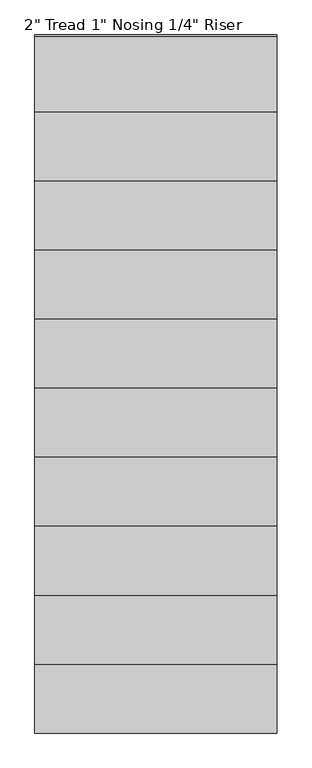
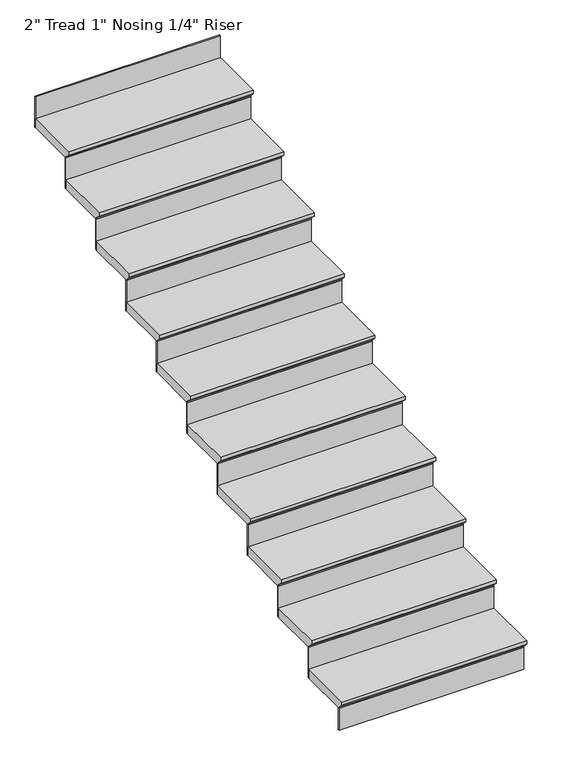
"""IFC4 building model written with IfcOpenShell, lengths in millimetres: stair flight geometry."""

from ifc_helpers import new_model, si_unit, origin, place, context, project, spatial, faceted_brep, source, transform, mapped, element, save


def stair_flight_2e2634de(model_context):
    return source(origin(), model_context, "Body", "Brep", [
        faceted_brep([(-19107.5828216, 2625.4460566, 36292.9714286), (-18126.0930445, 2625.4460566, 36292.9714286), (-18126.0930445, 2930.2460566, 36292.9714286), (-19107.5828216, 2930.2460566, 36292.9714286), (-19107.5828216, 2650.8460566, 36242.1714286), (-19107.5828216, 2930.2460566, 36242.1714286), (-18126.0930445, 2930.2460566, 36242.1714286), (-18126.0930445, 2650.8460566, 36242.1714286), (-19107.5828216, 2650.8460566, 36248.5214286), (-19107.5828216, 2625.4460566, 36273.9214286), (-18126.0930445, 2650.8460566, 36248.5214286), (-18126.0930445, 2625.4460566, 36273.9214286)], [[[0, 1, 2, 3]], [[4, 5, 6, 7]], [[0, 3, 5, 4, 8, 9]], [[4, 7, 10, 8]], [[2, 1, 11, 10, 7, 6]], [[3, 2, 6, 5]], [[11, 1, 0, 9]], [[10, 11, 9, 8]]]),
        faceted_brep([(-18126.0930445, 2650.8460566, 36242.1714286), (-18126.0930445, 2650.8460566, 36118.8), (-18126.0930445, 2657.1960566, 36118.8), (-18126.0930445, 2657.1960566, 36242.1714286), (-19107.5828216, 2650.8460566, 36242.1714286), (-19107.5828216, 2657.1960566, 36242.1714286), (-19107.5828216, 2657.1960566, 36118.8), (-19107.5828216, 2650.8460566, 36118.8)], [[[0, 1, 2, 3]], [[4, 5, 6, 7]], [[1, 0, 4, 7]], [[2, 1, 7, 6]], [[3, 2, 6, 5]], [[0, 3, 5, 4]]]),
        faceted_brep([(-19107.5828216, 2904.8460566, 36467.1428571), (-18126.0930445, 2904.8460566, 36467.1428571), (-18126.0930445, 3209.6460566, 36467.1428571), (-19107.5828216, 3209.6460566, 36467.1428571), (-19107.5828216, 2930.2460566, 36416.3428571), (-19107.5828216, 3209.6460566, 36416.3428571), (-18126.0930445, 3209.6460566, 36416.3428571), (-18126.0930445, 2930.2460566, 36416.3428571), (-19107.5828216, 2930.2460566, 36422.6928571), (-19107.5828216, 2904.8460566, 36448.0928571), (-18126.0930445, 2930.2460566, 36422.6928571), (-18126.0930445, 2904.8460566, 36448.0928571)], [[[0, 1, 2, 3]], [[4, 5, 6, 7]], [[0, 3, 5, 4, 8, 9]], [[4, 7, 10, 8]], [[2, 1, 11, 10, 7, 6]], [[3, 2, 6, 5]], [[11, 1, 0, 9]], [[10, 11, 9, 8]]]),
        faceted_brep([(-18126.0930445, 2930.2460566, 36416.3428571), (-18126.0930445, 2930.2460566, 36242.1714286), (-18126.0930445, 2936.5960566, 36242.1714286), (-18126.0930445, 2936.5960566, 36416.3428571), (-19107.5828216, 2930.2460566, 36416.3428571), (-19107.5828216, 2936.5960566, 36416.3428571), (-19107.5828216, 2936.5960566, 36242.1714286), (-19107.5828216, 2930.2460566, 36242.1714286)], [[[0, 1, 2, 3]], [[4, 5, 6, 7]], [[1, 0, 4, 7]], [[2, 1, 7, 6]], [[3, 2, 6, 5]], [[0, 3, 5, 4]]]),
        faceted_brep([(-19107.5828216, 3184.2460566, 36641.3142857), (-18126.0930445, 3184.2460566, 36641.3142857), (-18126.0930445, 3489.0460566, 36641.3142857), (-19107.5828216, 3489.0460566, 36641.3142857), (-19107.5828216, 3209.6460566, 36590.5142857), (-19107.5828216, 3489.0460566, 36590.5142857), (-18126.0930445, 3489.0460566, 36590.5142857), (-18126.0930445, 3209.6460566, 36590.5142857), (-19107.5828216, 3209.6460566, 36596.8642857), (-19107.5828216, 3184.2460566, 36622.2642857), (-18126.0930445, 3209.6460566, 36596.8642857), (-18126.0930445, 3184.2460566, 36622.2642857)], [[[0, 1, 2, 3]], [[4, 5, 6, 7]], [[0, 3, 5, 4, 8, 9]], [[4, 7, 10, 8]], [[2, 1, 11, 10, 7, 6]], [[3, 2, 6, 5]], [[11, 1, 0, 9]], [[10, 11, 9, 8]]]),
        faceted_brep([(-18126.0930445, 3209.6460566, 36590.5142857), (-18126.0930445, 3209.6460566, 36416.3428571), (-18126.0930445, 3215.9960566, 36416.3428571), (-18126.0930445, 3215.9960566, 36590.5142857), (-19107.5828216, 3209.6460566, 36590.5142857), (-19107.5828216, 3215.9960566, 36590.5142857), (-19107.5828216, 3215.9960566, 36416.3428571), (-19107.5828216, 3209.6460566, 36416.3428571)], [[[0, 1, 2, 3]], [[4, 5, 6, 7]], [[1, 0, 4, 7]], [[2, 1, 7, 6]], [[3, 2, 6, 5]], [[0, 3, 5, 4]]]),
        faceted_brep([(-19107.5828216, 3463.6460566, 36815.4857143), (-18126.0930445, 3463.6460566, 36815.4857143), (-18126.0930445, 3768.4460566, 36815.4857143), (-19107.5828216, 3768.4460566, 36815.4857143), (-19107.5828216, 3489.0460566, 36764.6857143), (-19107.5828216, 3768.4460566, 36764.6857143), (-18126.0930445, 3768.4460566, 36764.6857143), (-18126.0930445, 3489.0460566, 36764.6857143), (-19107.5828216, 3489.0460566, 36771.0357143), (-19107.5828216, 3463.6460566, 36796.4357143), (-18126.0930445, 3489.0460566, 36771.0357143), (-18126.0930445, 3463.6460566, 36796.4357143)], [[[0, 1, 2, 3]], [[4, 5, 6, 7]], [[0, 3, 5, 4, 8, 9]], [[4, 7, 10, 8]], [[2, 1, 11, 10, 7, 6]], [[3, 2, 6, 5]], [[11, 1, 0, 9]], [[10, 11, 9, 8]]]),
        faceted_brep([(-18126.0930445, 3489.0460566, 36764.6857143), (-18126.0930445, 3489.0460566, 36590.5142857), (-18126.0930445, 3495.3960566, 36590.5142857), (-18126.0930445, 3495.3960566, 36764.6857143), (-19107.5828216, 3489.0460566, 36764.6857143), (-19107.5828216, 3495.3960566, 36764.6857143), (-19107.5828216, 3495.3960566, 36590.5142857), (-19107.5828216, 3489.0460566, 36590.5142857)], [[[0, 1, 2, 3]], [[4, 5, 6, 7]], [[1, 0, 4, 7]], [[2, 1, 7, 6]], [[3, 2, 6, 5]], [[0, 3, 5, 4]]]),
        faceted_brep([(-19107.5828216, 3743.0460566, 36989.6571429), (-18126.0930445, 3743.0460566, 36989.6571429), (-18126.0930445, 4047.8460566, 36989.6571429), (-19107.5828216, 4047.8460566, 36989.6571429), (-19107.5828216, 3768.4460566, 36938.8571429), (-19107.5828216, 4047.8460566, 36938.8571429), (-18126.0930445, 4047.8460566, 36938.8571429), (-18126.0930445, 3768.4460566, 36938.8571429), (-19107.5828216, 3768.4460566, 36945.2071429), (-19107.5828216, 3743.0460566, 36970.6071429), (-18126.0930445, 3768.4460566, 36945.2071429), (-18126.0930445, 3743.0460566, 36970.6071429)], [[[0, 1, 2, 3]], [[4, 5, 6, 7]], [[0, 3, 5, 4, 8, 9]], [[4, 7, 10, 8]], [[2, 1, 11, 10, 7, 6]], [[3, 2, 6, 5]], [[11, 1, 0, 9]], [[10, 11, 9, 8]]]),
        faceted_brep([(-18126.0930445, 3768.4460566, 36938.8571429), (-18126.0930445, 3768.4460566, 36764.6857143), (-18126.0930445, 3774.7960566, 36764.6857143), (-18126.0930445, 3774.7960566, 36938.8571429), (-19107.5828216, 3768.4460566, 36938.8571429), (-19107.5828216, 3774.7960566, 36938.8571429), (-19107.5828216, 3774.7960566, 36764.6857143), (-19107.5828216, 3768.4460566, 36764.6857143)], [[[0, 1, 2, 3]], [[4, 5, 6, 7]], [[1, 0, 4, 7]], [[2, 1, 7, 6]], [[3, 2, 6, 5]], [[0, 3, 5, 4]]]),
        faceted_brep([(-19107.5828216, 4022.4460566, 37163.8285714), (-18126.0930445, 4022.4460566, 37163.8285714), (-18126.0930445, 4327.2460566, 37163.8285714), (-19107.5828216, 4327.2460566, 37163.8285714), (-19107.5828216, 4047.8460566, 37113.0285714), (-19107.5828216, 4327.2460566, 37113.0285714), (-18126.0930445, 4327.2460566, 37113.0285714), (-18126.0930445, 4047.8460566, 37113.0285714), (-19107.5828216, 4047.8460566, 37119.3785714), (-19107.5828216, 4022.4460566, 37144.7785714), (-18126.0930445, 4047.8460566, 37119.3785714), (-18126.0930445, 4022.4460566, 37144.7785714)], [[[0, 1, 2, 3]], [[4, 5, 6, 7]], [[0, 3, 5, 4, 8, 9]], [[4, 7, 10, 8]], [[2, 1, 11, 10, 7, 6]], [[3, 2, 6, 5]], [[11, 1, 0, 9]], [[10, 11, 9, 8]]]),
        faceted_brep([(-18126.0930445, 4047.8460566, 37113.0285714), (-18126.0930445, 4047.8460566, 36938.8571429), (-18126.0930445, 4054.1960566, 36938.8571429), (-18126.0930445, 4054.1960566, 37113.0285714), (-19107.5828216, 4047.8460566, 37113.0285714), (-19107.5828216, 4054.1960566, 37113.0285714), (-19107.5828216, 4054.1960566, 36938.8571429), (-19107.5828216, 4047.8460566, 36938.8571429)], [[[0, 1, 2, 3]], [[4, 5, 6, 7]], [[1, 0, 4, 7]], [[2, 1, 7, 6]], [[3, 2, 6, 5]], [[0, 3, 5, 4]]]),
        faceted_brep([(-19107.5828216, 4301.8460566, 37338.0), (-18126.0930445, 4301.8460566, 37338.0), (-18126.0930445, 4606.6460566, 37338.0), (-19107.5828216, 4606.6460566, 37338.0), (-19107.5828216, 4327.2460566, 37287.2), (-19107.5828216, 4606.6460566, 37287.2), (-18126.0930445, 4606.6460566, 37287.2), (-18126.0930445, 4327.2460566, 37287.2), (-19107.5828216, 4327.2460566, 37293.55), (-19107.5828216, 4301.8460566, 37318.95), (-18126.0930445, 4327.2460566, 37293.55), (-18126.0930445, 4301.8460566, 37318.95)], [[[0, 1, 2, 3]], [[4, 5, 6, 7]], [[0, 3, 5, 4, 8, 9]], [[4, 7, 10, 8]], [[2, 1, 11, 10, 7, 6]], [[3, 2, 6, 5]], [[11, 1, 0, 9]], [[10, 11, 9, 8]]]),
        faceted_brep([(-18126.0930445, 4327.2460566, 37287.2), (-18126.0930445, 4327.2460566, 37113.0285714), (-18126.0930445, 4333.5960566, 37113.0285714), (-18126.0930445, 4333.5960566, 37287.2), (-19107.5828216, 4327.2460566, 37287.2), (-19107.5828216, 4333.5960566, 37287.2), (-19107.5828216, 4333.5960566, 37113.0285714), (-19107.5828216, 4327.2460566, 37113.0285714)], [[[0, 1, 2, 3]], [[4, 5, 6, 7]], [[1, 0, 4, 7]], [[2, 1, 7, 6]], [[3, 2, 6, 5]], [[0, 3, 5, 4]]]),
        faceted_brep([(-19107.5828216, 4581.2460566, 37512.1714286), (-18126.0930445, 4581.2460566, 37512.1714286), (-18126.0930445, 4886.0460566, 37512.1714286), (-19107.5828216, 4886.0460566, 37512.1714286), (-19107.5828216, 4606.6460566, 37461.3714286), (-19107.5828216, 4886.0460566, 37461.3714286), (-18126.0930445, 4886.0460566, 37461.3714286), (-18126.0930445, 4606.6460566, 37461.3714286), (-19107.5828216, 4606.6460566, 37467.7214286), (-19107.5828216, 4581.2460566, 37493.1214286), (-18126.0930445, 4606.6460566, 37467.7214286), (-18126.0930445, 4581.2460566, 37493.1214286)], [[[0, 1, 2, 3]], [[4, 5, 6, 7]], [[0, 3, 5, 4, 8, 9]], [[4, 7, 10, 8]], [[2, 1, 11, 10, 7, 6]], [[3, 2, 6, 5]], [[11, 1, 0, 9]], [[10, 11, 9, 8]]]),
        faceted_brep([(-18126.0930445, 4606.6460566, 37461.3714286), (-18126.0930445, 4606.6460566, 37287.2), (-18126.0930445, 4612.9960566, 37287.2), (-18126.0930445, 4612.9960566, 37461.3714286), (-19107.5828216, 4606.6460566, 37461.3714286), (-19107.5828216, 4612.9960566, 37461.3714286), (-19107.5828216, 4612.9960566, 37287.2), (-19107.5828216, 4606.6460566, 37287.2)], [[[0, 1, 2, 3]], [[4, 5, 6, 7]], [[1, 0, 4, 7]], [[2, 1, 7, 6]], [[3, 2, 6, 5]], [[0, 3, 5, 4]]]),
        faceted_brep([(-19107.5828216, 4860.6460566, 37686.3428571), (-18126.0930445, 4860.6460566, 37686.3428571), (-18126.0930445, 5165.4460566, 37686.3428571), (-19107.5828216, 5165.4460566, 37686.3428571), (-19107.5828216, 4886.0460566, 37635.5428571), (-19107.5828216, 5165.4460566, 37635.5428571), (-18126.0930445, 5165.4460566, 37635.5428571), (-18126.0930445, 4886.0460566, 37635.5428571), (-19107.5828216, 4886.0460566, 37641.8928571), (-19107.5828216, 4860.6460566, 37667.2928571), (-18126.0930445, 4886.0460566, 37641.8928571), (-18126.0930445, 4860.6460566, 37667.2928571)], [[[0, 1, 2, 3]], [[4, 5, 6, 7]], [[0, 3, 5, 4, 8, 9]], [[4, 7, 10, 8]], [[2, 1, 11, 10, 7, 6]], [[3, 2, 6, 5]], [[11, 1, 0, 9]], [[10, 11, 9, 8]]]),
        faceted_brep([(-18126.0930445, 4886.0460566, 37635.5428571), (-18126.0930445, 4886.0460566, 37461.3714286), (-18126.0930445, 4892.3960566, 37461.3714286), (-18126.0930445, 4892.3960566, 37635.5428571), (-19107.5828216, 4886.0460566, 37635.5428571), (-19107.5828216, 4892.3960566, 37635.5428571), (-19107.5828216, 4892.3960566, 37461.3714286), (-19107.5828216, 4886.0460566, 37461.3714286)], [[[0, 1, 2, 3]], [[4, 5, 6, 7]], [[1, 0, 4, 7]], [[2, 1, 7, 6]], [[3, 2, 6, 5]], [[0, 3, 5, 4]]]),
        faceted_brep([(-19107.5828216, 5140.0460566, 37860.5142857), (-18126.0930445, 5140.0460566, 37860.5142857), (-18126.0930445, 5419.4460566, 37860.5142857), (-18126.0930445, 5444.8460566, 37860.5142857), (-19107.5828216, 5444.8460566, 37860.5142857), (-19107.5828216, 5165.4460566, 37809.7142857), (-19107.5828216, 5444.8460566, 37809.7142857), (-18126.0930445, 5444.8460566, 37809.7142857), (-18126.0930445, 5419.4460566, 37809.7142857), (-18126.0930445, 5165.4460566, 37809.7142857), (-19107.5828216, 5165.4460566, 37816.0642857), (-19107.5828216, 5140.0460566, 37841.4642857), (-18126.0930445, 5165.4460566, 37816.0642857), (-18126.0930445, 5140.0460566, 37841.4642857)], [[[0, 1, 2, 3, 4]], [[5, 6, 7, 8, 9]], [[0, 4, 6, 5, 10, 11]], [[5, 9, 12, 10]], [[2, 1, 13, 12, 9, 8]], [[4, 3, 7, 6]], [[13, 1, 0, 11]], [[12, 13, 11, 10]], [[3, 2, 8, 7]]]),
        faceted_brep([(-18126.0930445, 5165.4460566, 37809.7142857), (-18126.0930445, 5165.4460566, 37635.5428571), (-18126.0930445, 5171.7960566, 37635.5428571), (-18126.0930445, 5171.7960566, 37809.7142857), (-19107.5828216, 5165.4460566, 37809.7142857), (-19107.5828216, 5171.7960566, 37809.7142857), (-19107.5828216, 5171.7960566, 37635.5428571), (-19107.5828216, 5165.4460566, 37635.5428571)], [[[0, 1, 2, 3]], [[4, 5, 6, 7]], [[1, 0, 4, 7]], [[2, 1, 7, 6]], [[3, 2, 6, 5]], [[0, 3, 5, 4]]]),
        faceted_brep([(-18126.0930445, 5444.8460566, 37983.8857143), (-18126.0930445, 5444.8460566, 37809.7142857), (-18126.0930445, 5451.1960566, 37809.7142857), (-18126.0930445, 5451.1960566, 37983.8857143), (-19107.5828216, 5444.8460566, 37983.8857143), (-19107.5828216, 5451.1960566, 37983.8857143), (-19107.5828216, 5451.1960566, 37809.7142857), (-19107.5828216, 5444.8460566, 37809.7142857)], [[[0, 1, 2, 3]], [[4, 5, 6, 7]], [[1, 0, 4, 7]], [[2, 1, 7, 6]], [[3, 2, 6, 5]], [[0, 3, 5, 4]]]),
    ])


if __name__ == "__main__":
    model = new_model("IFC4")
    model_context = context("Model", 3, world=origin())
    ifc_project = project(units=[si_unit("LENGTHUNIT", "METRE", prefix="MILLI")], contexts=[model_context])
    site = spatial("IfcSite", under=ifc_project)
    building = spatial("IfcBuilding", under=site)
    placement = place(None, origin())
    stair_flight_shape = stair_flight_2e2634de(model_context)
    element("IfcStairFlight", 1, ObjectType="2\" Tread 1\" Nosing 1/4\" Riser", at=placement, inside=building, context=model_context, shape_type="MappedRepresentation", body=[
        mapped(stair_flight_shape, transform((0.0, 0.0, 0.0), x_axis=(1.0, 0.0, 0.0), y_axis=(0.0, 1.0, 0.0), z_axis=(0.0, 0.0, 1.0))),
    ])
    save(model, "model.ifc")
